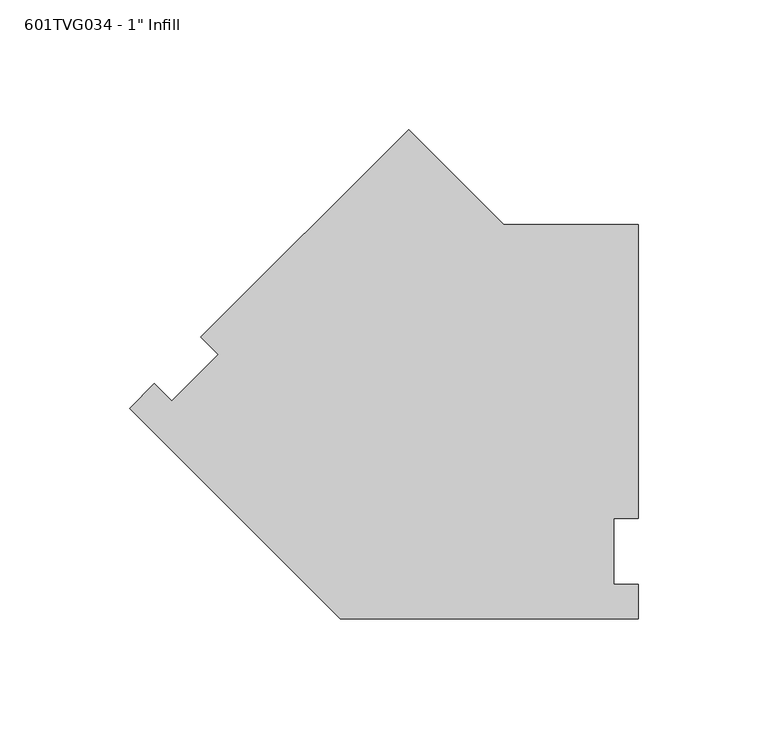
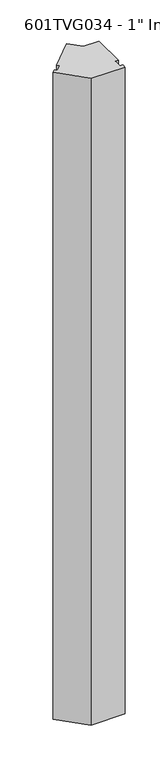
"""IFC4 building model written with IfcOpenShell, lengths in millimetres: proxy geometry."""

from ifc_helpers import new_model, si_unit, frame, origin, place, context, project, spatial, polyline, outline, extrude, source, transform, mapped, element, save


def proxy_26a48b45(model_context):
    return source(origin(), model_context, "Body", "SweptSolid", [
        extrude(outline(polyline([(15.5378695, 162.9528946), (52.2845141, 126.20625), (104.2521172, 126.20625), (104.2521172, 12.7), (94.7271172, 12.7), (94.7271172, -12.7), (104.2521172, -12.7), (104.2521172, -26.19375), (-10.8498065, -26.19375), (-92.2292908, 55.1857343), (-82.6877686, 64.7272564), (-75.9525765, 57.9920643), (-57.9920643, 75.9525765), (-64.7272564, 82.6877686), (15.5378695, 162.9528946)])), frame((0.0, 0.0, 50.8), z_axis=(0.0, 0.0, 1.0), x_axis=(1.0, 0.0, 0.0)), (0.0, 0.0, 1.0), 2311.4),
    ])


if __name__ == "__main__":
    model = new_model("IFC4")
    model_context = context("Model", 3, world=origin())
    ifc_project = project(units=[si_unit("LENGTHUNIT", "METRE", prefix="MILLI")], contexts=[model_context])
    site = spatial("IfcSite", under=ifc_project)
    building = spatial("IfcBuilding", under=site)
    placement = place(None, origin())
    proxy_shape = proxy_26a48b45(model_context)
    element("IfcBuildingElementProxy", 1, Name="601TVG034 - 1\" Infill", ObjectType="601TVG034 - 1\" Infill", at=placement, inside=building, context=model_context, shape_type="MappedRepresentation", body=[
        mapped(proxy_shape, transform((0.0, 0.0, 0.0), x_axis=(1.0, 0.0, 0.0), y_axis=(0.0, 1.0, 0.0), z_axis=(0.0, 0.0, 1.0))),
    ])
    save(model, "model.ifc")
